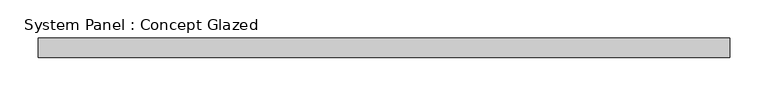
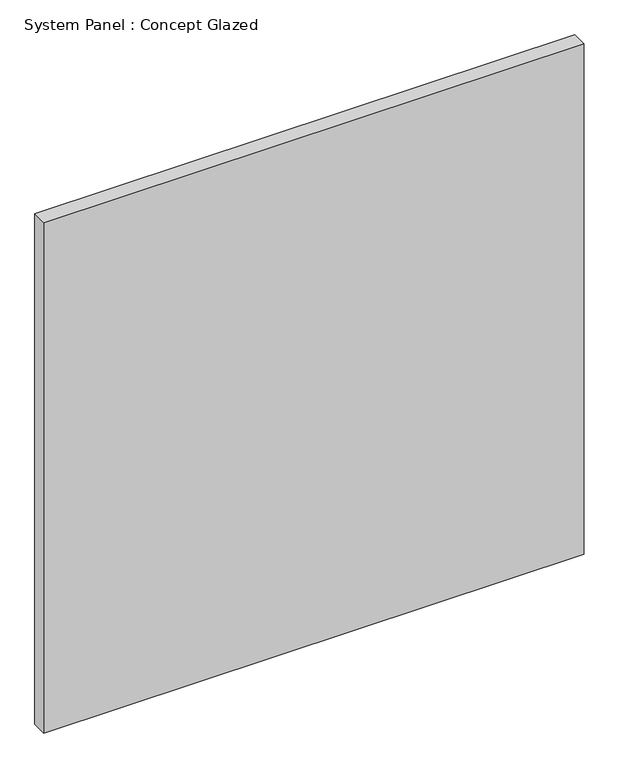
"""IFC4 building model written with IfcOpenShell, lengths in millimetres: plate geometry, System Panel : Concept Glazed."""

from ifc_helpers import new_model, si_unit, origin, origin_with_axes, place, context, project, spatial, polyline, outline, extrude, source, transform, mapped, element, save


def system_panel_concept_glazed_e5b176dc(model_context):
    return source(origin(), model_context, "Body", "SweptSolid", [
        extrude(outline(polyline([(450.625, 0.0), (-450.625, 0.0), (-450.625, 25.0), (450.625, 25.0), (450.625, 0.0)])), origin_with_axes(), (0.0, 0.0, 1.0), 900.0),
    ])


if __name__ == "__main__":
    model = new_model("IFC4")
    model_context = context("Model", 3, world=origin())
    ifc_project = project(units=[si_unit("LENGTHUNIT", "METRE", prefix="MILLI")], contexts=[model_context])
    site = spatial("IfcSite", under=ifc_project)
    building = spatial("IfcBuilding", under=site)
    placement = place(None, origin())
    system_panel_concept_glazed_shape = system_panel_concept_glazed_e5b176dc(model_context)
    element("IfcPlate", 1, ObjectType="System Panel : Concept Glazed", at=placement, inside=building, context=model_context, shape_type="MappedRepresentation", body=[
        mapped(system_panel_concept_glazed_shape, transform((0.0, 0.0, 0.0), x_axis=(1.0, 0.0, 0.0), y_axis=(0.0, 1.0, 0.0), z_axis=(0.0, 0.0, 1.0))),
    ])
    save(model, "model.ifc")
